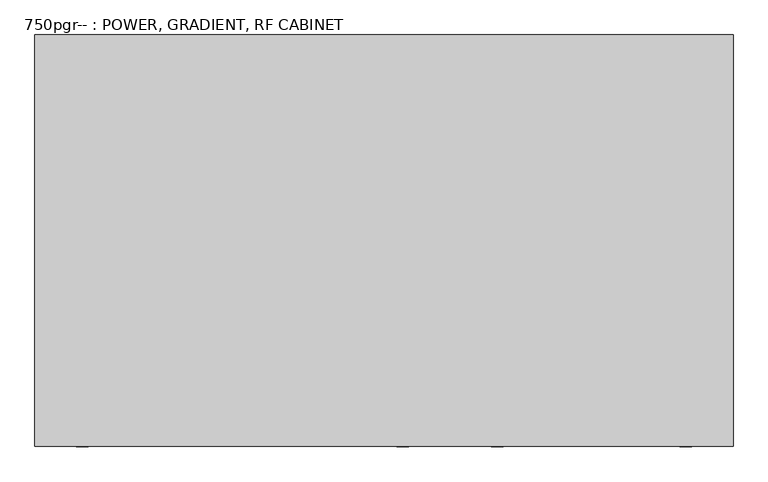
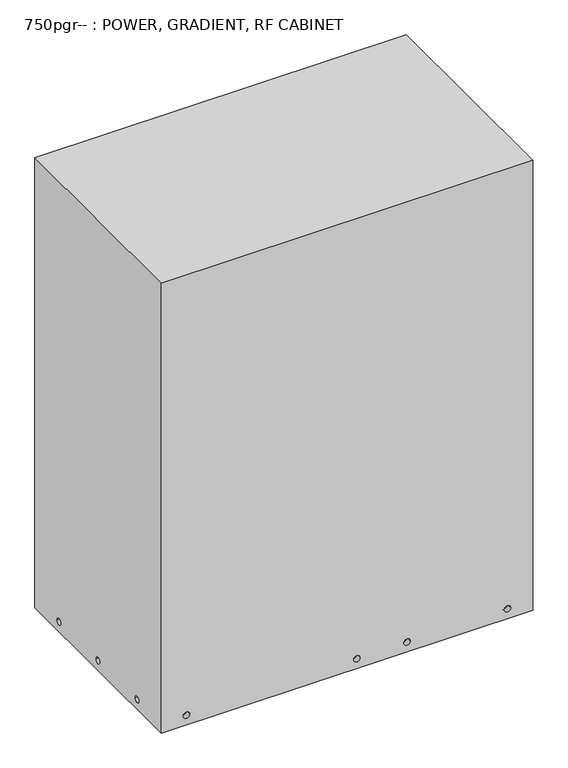
"""IFC4 building model written with IfcOpenShell, lengths in millimetres: proxy geometry, 750pgr-- : POWER, GRADIENT, RF CABINET."""

from ifc_helpers import new_model, si_unit, frame, origin, place, context, project, spatial, polyline, circle_curve, source, transform, mapped, element, save
from ifc_brep_helpers import plane_surface, revolved_surface, advanced_brep


def proxy_750pgr_power_gradient_rf_cabinet_ce66761b(model_context):
    return source(origin(), model_context, "Body", "AdvancedBrep", [
        advanced_brep(
        [(-740.029, 872.49, 1894.84), (-740.029, 0.0, 1894.84), (740.029, 0.0, 1894.84), (740.029, 872.49, 1894.84), (-740.029, 872.49, 0.0), (740.029, 872.49, 0.0), (740.029, 0.0, 0.0), (-740.029, 0.0, 0.0), (740.029, 694.69, 40.64), (740.029, 720.09, 40.64), (740.029, 424.688, 40.64), (740.029, 450.088, 40.64), (740.029, 154.686, 40.64), (740.029, 180.086, 40.64), (-652.653, 0.0, 40.64), (-627.253, 0.0, 40.64), (26.797, 0.0, 40.64), (52.197, 0.0, 40.64), (226.949, 0.0, 40.64), (252.349, 0.0, 40.64), (626.999, 0.0, 40.64), (652.399, 0.0, 40.64), (-740.029, 720.09, 40.64), (-740.029, 694.69, 40.64), (-740.029, 450.088, 40.64), (-740.029, 424.688, 40.64), (-740.029, 180.086, 40.64), (-740.029, 154.686, 40.64), (-652.653, 22.0734961, 40.64), (-627.253, 22.0734961, 40.64), (26.797, 22.0734961, 40.64), (52.197, 22.0734961, 40.64), (226.949, 22.0734961, 40.64), (252.349, 22.0734961, 40.64), (626.999, 22.0734961, 40.64), (652.399, 22.0734961, 40.64), (719.4809881, 720.09, 40.64), (719.4809881, 694.69, 40.64), (719.4809881, 450.088, 40.64), (719.4809881, 424.688, 40.64), (719.4809881, 180.086, 40.64), (719.4809881, 154.686, 40.64), (-719.4809881, 720.09, 40.64), (-719.4809881, 694.69, 40.64), (-719.4809881, 450.088, 40.64), (-719.4809881, 424.688, 40.64), (-719.4809881, 180.086, 40.64), (-719.4809881, 154.686, 40.64)],
        [
            (0, 1),
            (1, 2),
            (2, 3),
            (3, 0),
            (4, 5),
            (5, 6),
            (6, 7),
            (7, 4),
            (3, 5),
            (4, 0),
            (2, 6),
            (8, 9, circle_curve(frame((740.029, 707.39, 40.64), z_axis=(-1.0, 0.0, 0.0), x_axis=(0.0, -1.0, 0.0)), 12.7)),
            (9, 8, circle_curve(frame((740.029, 707.39, 40.64), z_axis=(-1.0, 0.0, 0.0), x_axis=(0.0, -1.0, 0.0)), 12.7)),
            (10, 11, circle_curve(frame((740.029, 437.388, 40.64), z_axis=(-1.0, 0.0, 0.0), x_axis=(0.0, -1.0, 0.0)), 12.7)),
            (11, 10, circle_curve(frame((740.029, 437.388, 40.64), z_axis=(-1.0, 0.0, 0.0), x_axis=(0.0, -1.0, 0.0)), 12.7)),
            (12, 13, circle_curve(frame((740.029, 167.386, 40.64), z_axis=(-1.0, 0.0, 0.0), x_axis=(0.0, -1.0, 0.0)), 12.7)),
            (13, 12, circle_curve(frame((740.029, 167.386, 40.64), z_axis=(-1.0, 0.0, 0.0), x_axis=(0.0, -1.0, 0.0)), 12.7)),
            (1, 7),
            (14, 15, circle_curve(frame((-639.953, 0.0, 40.64), z_axis=(0.0, 1.0, 0.0), x_axis=(1.0, 0.0, 0.0)), 12.7)),
            (15, 14, circle_curve(frame((-639.953, 0.0, 40.64), z_axis=(0.0, 1.0, 0.0), x_axis=(1.0, 0.0, 0.0)), 12.7)),
            (16, 17, circle_curve(frame((39.497, 0.0, 40.64), z_axis=(0.0, 1.0, 0.0), x_axis=(1.0, 0.0, 0.0)), 12.7)),
            (17, 16, circle_curve(frame((39.497, 0.0, 40.64), z_axis=(0.0, 1.0, 0.0), x_axis=(1.0, 0.0, 0.0)), 12.7)),
            (18, 19, circle_curve(frame((239.649, 0.0, 40.64), z_axis=(0.0, 1.0, 0.0), x_axis=(1.0, 0.0, 0.0)), 12.7)),
            (19, 18, circle_curve(frame((239.649, 0.0, 40.64), z_axis=(0.0, 1.0, 0.0), x_axis=(1.0, 0.0, 0.0)), 12.7)),
            (20, 21, circle_curve(frame((639.699, 0.0, 40.64), z_axis=(0.0, 1.0, 0.0), x_axis=(1.0, 0.0, 0.0)), 12.7)),
            (21, 20, circle_curve(frame((639.699, 0.0, 40.64), z_axis=(0.0, 1.0, 0.0), x_axis=(1.0, 0.0, 0.0)), 12.7)),
            (22, 23, circle_curve(frame((-740.029, 707.39, 40.64), z_axis=(1.0, 0.0, 0.0), x_axis=(0.0, -1.0, 0.0)), 12.7)),
            (23, 22, circle_curve(frame((-740.029, 707.39, 40.64), z_axis=(1.0, 0.0, 0.0), x_axis=(0.0, -1.0, 0.0)), 12.7)),
            (24, 25, circle_curve(frame((-740.029, 437.388, 40.64), z_axis=(1.0, 0.0, 0.0), x_axis=(0.0, -1.0, 0.0)), 12.7)),
            (25, 24, circle_curve(frame((-740.029, 437.388, 40.64), z_axis=(1.0, 0.0, 0.0), x_axis=(0.0, -1.0, 0.0)), 12.7)),
            (26, 27, circle_curve(frame((-740.029, 167.386, 40.64), z_axis=(1.0, 0.0, 0.0), x_axis=(0.0, -1.0, 0.0)), 12.7)),
            (27, 26, circle_curve(frame((-740.029, 167.386, 40.64), z_axis=(1.0, 0.0, 0.0), x_axis=(0.0, -1.0, 0.0)), 12.7)),
            (28, 29, circle_curve(frame((-639.953, 22.0734961, 40.64), z_axis=(0.0, -1.0, 0.0), x_axis=(1.0, 0.0, 0.0)), 12.7)),
            (29, 28, circle_curve(frame((-639.953, 22.0734961, 40.64), z_axis=(0.0, -1.0, 0.0), x_axis=(1.0, 0.0, 0.0)), 12.7)),
            (30, 31, circle_curve(frame((39.497, 22.0734961, 40.64), z_axis=(0.0, -1.0, 0.0), x_axis=(1.0, 0.0, 0.0)), 12.7)),
            (31, 30, circle_curve(frame((39.497, 22.0734961, 40.64), z_axis=(0.0, -1.0, 0.0), x_axis=(1.0, 0.0, 0.0)), 12.7)),
            (32, 33, circle_curve(frame((239.649, 22.0734961, 40.64), z_axis=(0.0, -1.0, 0.0), x_axis=(1.0, 0.0, 0.0)), 12.7)),
            (33, 32, circle_curve(frame((239.649, 22.0734961, 40.64), z_axis=(0.0, -1.0, 0.0), x_axis=(1.0, 0.0, 0.0)), 12.7)),
            (34, 35, circle_curve(frame((639.699, 22.0734961, 40.64), z_axis=(0.0, -1.0, 0.0), x_axis=(1.0, 0.0, 0.0)), 12.7)),
            (35, 34, circle_curve(frame((639.699, 22.0734961, 40.64), z_axis=(0.0, -1.0, 0.0), x_axis=(1.0, 0.0, 0.0)), 12.7)),
            (28, 14),
            (15, 29),
            (30, 16),
            (17, 31),
            (32, 18),
            (19, 33),
            (34, 20),
            (21, 35),
            (36, 37, circle_curve(frame((719.4809881, 707.39, 40.64), z_axis=(1.0, 0.0, 0.0), x_axis=(0.0, -1.0, 0.0)), 12.7)),
            (37, 36, circle_curve(frame((719.4809881, 707.39, 40.64), z_axis=(1.0, 0.0, 0.0), x_axis=(0.0, -1.0, 0.0)), 12.7)),
            (38, 39, circle_curve(frame((719.4809881, 437.388, 40.64), z_axis=(1.0, 0.0, 0.0), x_axis=(0.0, -1.0, 0.0)), 12.7)),
            (39, 38, circle_curve(frame((719.4809881, 437.388, 40.64), z_axis=(1.0, 0.0, 0.0), x_axis=(0.0, -1.0, 0.0)), 12.7)),
            (40, 41, circle_curve(frame((719.4809881, 167.386, 40.64), z_axis=(1.0, 0.0, 0.0), x_axis=(0.0, -1.0, 0.0)), 12.7)),
            (41, 40, circle_curve(frame((719.4809881, 167.386, 40.64), z_axis=(1.0, 0.0, 0.0), x_axis=(0.0, -1.0, 0.0)), 12.7)),
            (37, 8),
            (9, 36),
            (39, 10),
            (11, 38),
            (41, 12),
            (13, 40),
            (42, 43, circle_curve(frame((-719.4809881, 707.39, 40.64), z_axis=(-1.0, 0.0, 0.0), x_axis=(0.0, -1.0, 0.0)), 12.7)),
            (43, 42, circle_curve(frame((-719.4809881, 707.39, 40.64), z_axis=(-1.0, 0.0, 0.0), x_axis=(0.0, -1.0, 0.0)), 12.7)),
            (44, 45, circle_curve(frame((-719.4809881, 437.388, 40.64), z_axis=(-1.0, 0.0, 0.0), x_axis=(0.0, -1.0, 0.0)), 12.7)),
            (45, 44, circle_curve(frame((-719.4809881, 437.388, 40.64), z_axis=(-1.0, 0.0, 0.0), x_axis=(0.0, -1.0, 0.0)), 12.7)),
            (46, 47, circle_curve(frame((-719.4809881, 167.386, 40.64), z_axis=(-1.0, 0.0, 0.0), x_axis=(0.0, -1.0, 0.0)), 12.7)),
            (47, 46, circle_curve(frame((-719.4809881, 167.386, 40.64), z_axis=(-1.0, 0.0, 0.0), x_axis=(0.0, -1.0, 0.0)), 12.7)),
            (43, 23),
            (22, 42),
            (45, 25),
            (24, 44),
            (47, 27),
            (26, 46),
        ],
        [
            plane_surface(frame((740.029, 872.49, 1894.84), z_axis=(0.0, 0.0, 1.0), x_axis=(1.0, 0.0, 0.0))),
            plane_surface(frame((740.029, 872.49, 0.0), z_axis=(0.0, 0.0, -1.0), x_axis=(-1.0, 0.0, 0.0))),
            plane_surface(frame((-740.029, 872.49, 1894.84), z_axis=(0.0, 1.0, 0.0), x_axis=(0.0, 0.0, -1.0))),
            plane_surface(frame((740.029, 872.49, 1894.84), z_axis=(1.0, 0.0, 0.0), x_axis=(0.0, 0.0, -1.0))),
            plane_surface(frame((740.029, 0.0, 1894.84), z_axis=(0.0, -1.0, 0.0), x_axis=(0.0, 0.0, -1.0))),
            plane_surface(frame((-740.029, 0.0, 1894.84), z_axis=(-1.0, 0.0, 0.0), x_axis=(0.0, 0.0, -1.0))),
            plane_surface(frame((-627.253, 22.0734961, 40.64), z_axis=(0.0, -1.0, 0.0), x_axis=(0.0, 0.0, 1.0))),
            revolved_surface(polyline([(-627.2529999999999, 22.0734961, 40.64), (-627.2529999999999, 0.0, 40.64)]), (-639.953, 0.0, 40.64), (0.0, 1.0, 0.0)),
            revolved_surface(polyline([(52.197, 22.0734961, 40.64), (52.197, 0.0, 40.64)]), (39.497, 0.0, 40.64), (0.0, 1.0, 0.0)),
            revolved_surface(polyline([(252.349, 22.0734961, 40.64), (252.349, 0.0, 40.64)]), (239.649, 0.0, 40.64), (0.0, 1.0, 0.0)),
            revolved_surface(polyline([(652.399, 22.0734961, 40.64), (652.399, 0.0, 40.64)]), (639.699, 0.0, 40.64), (0.0, 1.0, 0.0)),
            plane_surface(frame((719.4809881, 694.69, 40.64), z_axis=(1.0, 0.0, 0.0), x_axis=(0.0, 0.0, -1.0))),
            revolved_surface(polyline([(740.029, 694.6899999999999, 40.64), (719.4809881, 694.6899999999999, 40.64)]), (719.4809881, 707.39, 40.64), (1.0, 0.0, 0.0)),
            revolved_surface(polyline([(740.029, 424.688, 40.64), (719.4809881, 424.688, 40.64)]), (0.0, 437.388, 40.64), (1.0, 0.0, 0.0)),
            revolved_surface(polyline([(740.029, 154.686, 40.64), (719.4809881, 154.686, 40.64)]), (0.0, 167.386, 40.64), (1.0, 0.0, 0.0)),
            plane_surface(frame((-719.4809881, 694.69, 40.64), z_axis=(-1.0, 0.0, 0.0), x_axis=(0.0, 0.0, 1.0))),
            revolved_surface(polyline([(-740.029, 694.6899999999999, 40.64), (-719.4809881, 694.6899999999999, 40.64)]), (-719.4809881, 707.39, 40.64), (-1.0, 0.0, 0.0)),
            revolved_surface(polyline([(-740.029, 424.688, 40.64), (-719.4809881, 424.688, 40.64)]), (0.0, 437.388, 40.64), (-1.0, 0.0, 0.0)),
            revolved_surface(polyline([(-740.029, 154.686, 40.64), (-719.4809881, 154.686, 40.64)]), (0.0, 167.386, 40.64), (-1.0, 0.0, 0.0)),
        ],
        [
            (0, [[1, 2, 3, 4]]),
            (1, [[5, 6, 7, 8]]),
            (2, [[9, -5, 10, -4]]),
            (3, [[11, -6, -9, -3], [12, 13], [14, 15], [16, 17]]),
            (4, [[18, -7, -11, -2], [19, 20], [21, 22], [23, 24], [25, 26]]),
            (5, [[-10, -8, -18, -1], [27, 28], [29, 30], [31, 32]]),
            (6, [[33, 34]]),
            (6, [[35, 36]]),
            (6, [[37, 38]]),
            (6, [[39, 40]]),
            (7, [[41, -20, 42, -33]]),
            (7, [[-42, -19, -41, -34]]),
            (8, [[43, -22, 44, -35]]),
            (8, [[-44, -21, -43, -36]]),
            (9, [[45, -24, 46, -37]]),
            (9, [[-46, -23, -45, -38]]),
            (10, [[47, -26, 48, -39]]),
            (10, [[-48, -25, -47, -40]]),
            (11, [[49, 50]]),
            (11, [[51, 52]]),
            (11, [[53, 54]]),
            (12, [[55, -13, 56, -50]]),
            (12, [[-56, -12, -55, -49]]),
            (13, [[57, -15, 58, -52]]),
            (13, [[-58, -14, -57, -51]]),
            (14, [[59, -17, 60, -54]]),
            (14, [[-60, -16, -59, -53]]),
            (15, [[61, 62]]),
            (15, [[63, 64]]),
            (15, [[65, 66]]),
            (16, [[67, -27, 68, -62]]),
            (16, [[-68, -28, -67, -61]]),
            (17, [[69, -29, 70, -64]]),
            (17, [[-70, -30, -69, -63]]),
            (18, [[71, -31, 72, -66]]),
            (18, [[-72, -32, -71, -65]]),
        ],
    ),
    ])


if __name__ == "__main__":
    model = new_model("IFC4")
    model_context = context("Model", 3, world=origin())
    ifc_project = project(units=[si_unit("LENGTHUNIT", "METRE", prefix="MILLI")], contexts=[model_context])
    site = spatial("IfcSite", under=ifc_project)
    building = spatial("IfcBuilding", under=site)
    placement = place(None, origin())
    proxy_750pgr_power_gradient_rf_cabinet_shape = proxy_750pgr_power_gradient_rf_cabinet_ce66761b(model_context)
    element("IfcBuildingElementProxy", 1, Name="750pgr-- : POWER, GRADIENT, RF CABINET", ObjectType="750pgr-- : POWER, GRADIENT, RF CABINET", at=placement, inside=building, context=model_context, shape_type="MappedRepresentation", body=[
        mapped(proxy_750pgr_power_gradient_rf_cabinet_shape, transform((0.0, 0.0, 0.0), x_axis=(1.0, 0.0, 0.0), y_axis=(0.0, 1.0, 0.0), z_axis=(0.0, 0.0, 1.0))),
    ])
    save(model, "model.ifc")
